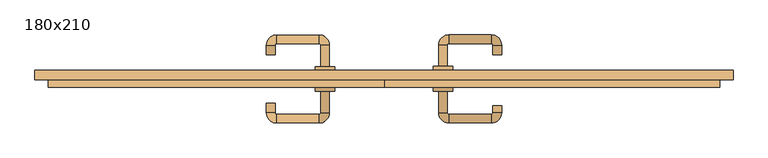
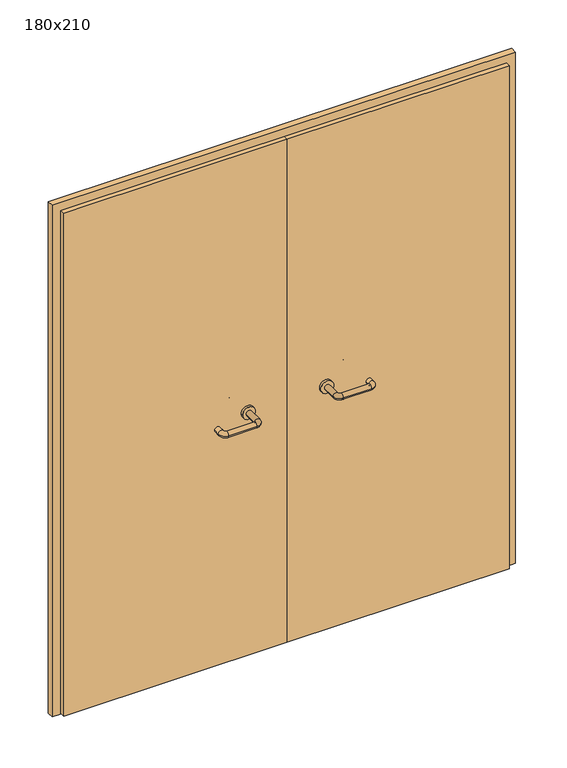
"""IFC4 building model written with IfcOpenShell, lengths in millimetres: door geometry, 180x210."""

import ifcopenshell
import ifcopenshell.guid

model = None  # the IFC model being written
_history = None  # IfcOwnerHistory: only IFC2X3 demands one
_inside = {}  # id of a spatial element -> (the spatial element, [elements in it])
_under = {}  # id of a project, library or spatial element -> (it, [spatial elements below it])
_declared = {}  # id of a project -> (the project, [libraries it declares])
_typed = {}  # id of a type object -> (the type object, [elements of that type])
_made_of = {}  # id of a material, layer set ... -> (it, [elements and type objects made of it])


def new_model(schema):
    """Start an empty IFC model of exactly this schema.

    Asked for "IFC4X3", IfcOpenShell would pick the latest addendum, in which some entities
    have other attributes; the version numbers below select the first issue.
    IFC2X3 requires an IfcOwnerHistory on every rooted entity: one is made here for all.
    """
    global model, _history
    if schema == "IFC4X3":
        model = ifcopenshell.file(schema_version=(4, 3, 0, 0))
    else:
        model = ifcopenshell.file(schema=schema)
    _inside.clear()
    _under.clear()
    _declared.clear()
    _typed.clear()
    _made_of.clear()
    _history = None
    if model.schema == "IFC2X3":
        org = make("IfcOrganization", Name="unknown")
        user = make(
            "IfcPersonAndOrganization",
            ThePerson=make("IfcPerson", FamilyName="unknown"),
            TheOrganization=org,
        )
        app = make(
            "IfcApplication",
            ApplicationDeveloper=org,
            Version="unknown",
            ApplicationFullName="unknown",
            ApplicationIdentifier="unknown",
        )
        _history = make(
            "IfcOwnerHistory",
            OwningUser=user,
            OwningApplication=app,
            ChangeAction="ADDED",
            CreationDate=0,
        )
    return model


def make(cls, **values):
    """One entity of the class cls with the attributes given. An attribute that is None is left unset."""
    return model.create_entity(
        cls, **{name: value for name, value in values.items() if value is not None}
    )


def rooted(cls, **values):
    """An entity with a GlobalId (a new one), such as an element, a storey or a relation."""
    return make(cls, GlobalId=ifcopenshell.guid.new(), OwnerHistory=_history, **values)


def si_unit(unit_type, name, prefix=None):
    """IfcSIUnit, for example si_unit("LENGTHUNIT", "METRE", prefix="MILLI")."""
    return make("IfcSIUnit", UnitType=unit_type, Prefix=prefix, Name=name)


def assignment(units):
    """IfcUnitAssignment: the units of a project."""
    return None if units is None else make("IfcUnitAssignment", Units=units)


def point(xyz):
    """IfcCartesianPoint."""
    return None if xyz is None else make("IfcCartesianPoint", Coordinates=xyz)


def direction(xyz):
    """IfcDirection."""
    return None if xyz is None else make("IfcDirection", DirectionRatios=xyz)


def frame(location, z_axis=None, x_axis=None):
    """IfcAxis2Placement3D, a coordinate frame: its origin and axes. An axis left out is left unset."""
    return make(
        "IfcAxis2Placement3D",
        Location=point(location),
        Axis=direction(z_axis),
        RefDirection=direction(x_axis),
    )


def frame_2d(location, x_axis=None):
    """IfcAxis2Placement2D, a coordinate frame in the plane: its origin and x axis."""
    return make(
        "IfcAxis2Placement2D", Location=point(location), RefDirection=direction(x_axis)
    )


def origin():
    """The frame at (0, 0, 0) with its axes left unset."""
    return frame((0.0, 0.0, 0.0))


def place(relative_to, where):
    """IfcLocalPlacement: puts the frame where relative to a parent placement (None: the world)."""
    return make(
        "IfcLocalPlacement", PlacementRelTo=relative_to, RelativePlacement=where
    )


def context(
    kind, dimensions, precision=None, world=None, true_north=None, identifier=None
):
    """IfcGeometricRepresentationContext, for example the 3D "Model" context."""
    return make(
        "IfcGeometricRepresentationContext",
        ContextIdentifier=identifier,
        ContextType=kind,
        CoordinateSpaceDimension=dimensions,
        Precision=precision,
        WorldCoordinateSystem=world,
        TrueNorth=true_north,
    )


def project(units=None, contexts=None):
    """IfcProject with its units and contexts."""
    return rooted(
        "IfcProject",
        Name="project",
        RepresentationContexts=contexts,
        UnitsInContext=assignment(units),
    )


def spatial(cls, under=None, at=None, **own):
    """A site, building, storey or space (cls), placed at a placement, below another one or the project."""
    s = rooted(cls, ObjectPlacement=at, **own)
    if under is not None:
        _under.setdefault(under.id(), (under, []))[1].append(s)
    return s


def polyline(points):
    """IfcPolyline through the points."""
    return make("IfcPolyline", Points=[point(p) for p in points])


def circle_curve(where, radius):
    """IfcCircle in the frame where."""
    return make("IfcCircle", Position=where, Radius=radius)


def ellipse_curve(where, semi_axis1, semi_axis2):
    """IfcEllipse in the frame where."""
    return make(
        "IfcEllipse", Position=where, SemiAxis1=semi_axis1, SemiAxis2=semi_axis2
    )


def trimmed(basis, trim1, trim2, sense, master):
    """IfcTrimmedCurve: the piece of a basis curve between two trims."""
    return make(
        "IfcTrimmedCurve",
        BasisCurve=basis,
        Trim1=trim1,
        Trim2=trim2,
        SenseAgreement=sense,
        MasterRepresentation=master,
    )


def segment(curve, same_sense, transition):
    """IfcCompositeCurveSegment."""
    return make(
        "IfcCompositeCurveSegment",
        Transition=transition,
        SameSense=same_sense,
        ParentCurve=curve,
    )


def composite_curve(segments, self_intersect=None):
    """IfcCompositeCurve: segments joined end to end."""
    return make("IfcCompositeCurve", Segments=segments, SelfIntersect=self_intersect)


def outline(outer, holes=None, kind="AREA"):
    """IfcArbitraryClosedProfileDef: a profile drawn as a closed curve; with holes, ...WithVoids."""
    if holes is None:
        return make("IfcArbitraryClosedProfileDef", ProfileType=kind, OuterCurve=outer)
    return make(
        "IfcArbitraryProfileDefWithVoids",
        ProfileType=kind,
        OuterCurve=outer,
        InnerCurves=holes,
    )


def extrude(swept, where, along, depth):
    """IfcExtrudedAreaSolid: the profile swept, set in the frame where, extruded along a direction by depth."""
    return make(
        "IfcExtrudedAreaSolid",
        SweptArea=swept,
        Position=where,
        ExtrudedDirection=direction(along),
        Depth=depth,
    )


def shape(context_of_items, identifier, shape_type, items):
    """IfcShapeRepresentation: the items that make up one representation, for example the "Body"."""
    return make(
        "IfcShapeRepresentation",
        ContextOfItems=context_of_items,
        RepresentationIdentifier=identifier,
        RepresentationType=shape_type,
        Items=items,
    )


def source(mapping_origin, context_of_items, identifier, shape_type, items):
    """IfcRepresentationMap: a shape defined once, which mapped items show again and again."""
    return make(
        "IfcRepresentationMap",
        MappingOrigin=mapping_origin,
        MappedRepresentation=shape(context_of_items, identifier, shape_type, items),
    )


def transform(
    local_origin,
    x_axis=None,
    y_axis=None,
    z_axis=None,
    scale=None,
    scale2=None,
    scale3=None,
    uniform=True,
):
    """IfcCartesianTransformationOperator3D, or its non-uniform kind. x_axis, y_axis, z_axis: its Axis1, 2, 3."""
    if uniform:
        return make(
            "IfcCartesianTransformationOperator3D",
            Axis1=direction(x_axis),
            Axis2=direction(y_axis),
            LocalOrigin=point(local_origin),
            Scale=scale,
            Axis3=direction(z_axis),
        )
    return make(
        "IfcCartesianTransformationOperator3DnonUniform",
        Axis1=direction(x_axis),
        Axis2=direction(y_axis),
        LocalOrigin=point(local_origin),
        Scale=scale,
        Axis3=direction(z_axis),
        Scale2=scale2,
        Scale3=scale3,
    )


def mapped(mapping_source, mapping_target):
    """IfcMappedItem: shows the shape of a source again, moved by a transform."""
    return make(
        "IfcMappedItem", MappingSource=mapping_source, MappingTarget=mapping_target
    )


def made_of(thing, what):
    """Note that an element or type object is made of a material, layer set ...; save() writes the relation."""
    if what is not None:
        _made_of.setdefault(what.id(), (what, []))[1].append(thing)
    return thing


def element(
    cls,
    number,
    at=None,
    inside=None,
    cuts=None,
    type_object=None,
    material=None,
    context=None,
    identifier="Body",
    shape_type=None,
    held_by="IfcProductDefinitionShape",
    body=None,
    shapes=None,
    **own,
):
    """One element of the class cls, such as IfcWall. Its Tag is "e" and its number.

    at: its placement. inside: the storey or other place that contains it. cuts: it is an
    opening in that element (IfcRelVoidsElement). A single representation is given by context,
    identifier, shape_type and body (its items); several are given by shapes. held_by: the class
    of the entity that holds the representations. save() writes the other relations.
    """
    e = rooted(cls, Tag="e%d" % number, ObjectPlacement=at, **own)
    if body is not None:
        shapes = [shape(context, identifier, shape_type, body)]
    if shapes is not None:
        e.Representation = make(held_by, Representations=shapes)
    if inside is not None:
        _inside.setdefault(inside.id(), (inside, []))[1].append(e)
    if cuts is not None:
        rooted(
            "IfcRelVoidsElement", RelatingBuildingElement=cuts, RelatedOpeningElement=e
        )
    if type_object is not None:
        _typed.setdefault(type_object.id(), (type_object, []))[1].append(e)
    return made_of(e, material)


def aggregate(whole, parts):
    """IfcRelAggregates: a whole, such as a stair, and the parts it consists of."""
    return rooted("IfcRelAggregates", RelatingObject=whole, RelatedObjects=parts)


def save(model, path):
    """Write the relations noted so far, then the file.

    IfcRelAggregates (storeys below a building ...), IfcRelContainedInSpatialStructure (elements
    in a storey), IfcRelDefinesByType, IfcRelAssociatesMaterial and IfcRelDeclares: one each for
    every whole, place, type object, material and project.
    """
    for whole, parts in _under.values():
        aggregate(whole, parts)
    for where, things in _inside.values():
        rooted(
            "IfcRelContainedInSpatialStructure",
            RelatedElements=things,
            RelatingStructure=where,
        )
    for kind, things in _typed.values():
        rooted("IfcRelDefinesByType", RelatedObjects=things, RelatingType=kind)
    for what, things in _made_of.values():
        rooted("IfcRelAssociatesMaterial", RelatedObjects=things, RelatingMaterial=what)
    for by, libraries in _declared.values():
        rooted("IfcRelDeclares", RelatingContext=by, RelatedDefinitions=libraries)
    model.write(path)


def plane_surface(at):
    """IfcPlane: the flat surface through the origin of the frame at, square to its z axis."""
    return make("IfcPlane", Position=at)


def cylinder_surface(at, radius):
    """IfcCylindricalSurface: all points at the distance radius from the z axis of the frame at."""
    return make("IfcCylindricalSurface", Position=at, Radius=radius)


def revolved_surface(curve, axis_point, axis_direction):
    """IfcSurfaceOfRevolution: the curve turned about the line through axis_point along axis_direction."""
    return make(
        "IfcSurfaceOfRevolution",
        SweptCurve=make("IfcArbitraryOpenProfileDef", ProfileType="CURVE", Curve=curve),
        AxisPosition=make("IfcAxis1Placement", Location=point(axis_point), Axis=direction(axis_direction)),
    )


def advanced_brep(points, edges, surfaces, faces):
    """IfcAdvancedBrep: a solid bounded by faces that lie on surfaces and meet in shared edges.

    An edge is (start, end): straight between two places in points (the first is 0);
    or (start, end, curve); or (start, end, curve, False) where it runs against its curve.
    A face is (place in surfaces, loops), or (place, loops, False) where it looks against
    its surface's normal. A loop lists edges by number (the first is 1), with a minus sign
    where the edge is run from its end to its start. The first loop is the outer one.
    """
    corners = [point(p) for p in points]
    vertices = [make("IfcVertexPoint", VertexGeometry=c) for c in corners]
    made = []
    for start, end, *more in edges:
        made.append(
            make(
                "IfcEdgeCurve",
                EdgeStart=vertices[start],
                EdgeEnd=vertices[end],
                EdgeGeometry=more[0] if more else make("IfcPolyline", Points=[corners[start], corners[end]]),
                SameSense=more[1] if len(more) > 1 else True,
            )
        )
    hull = []
    for where, loops, *sense in faces:
        bounds = []
        for j, loop in enumerate(loops):
            ring = [make("IfcOrientedEdge", EdgeElement=made[abs(k) - 1], Orientation=k > 0) for k in loop]
            bounds.append(
                make(
                    "IfcFaceOuterBound" if j == 0 else "IfcFaceBound",
                    Bound=make("IfcEdgeLoop", EdgeList=ring),
                    Orientation=True,
                )
            )
        hull.append(make("IfcAdvancedFace", Bounds=bounds, FaceSurface=surfaces[where], SameSense=sense[0] if sense else True))
    return make("IfcAdvancedBrep", Outer=make("IfcClosedShell", CfsFaces=hull))


def door_180x210_b6dc4c1d(model_context):
    return source(origin(), model_context, "Body", "SolidModel", [
        extrude(outline(polyline([(2100.0, -900.0), (0.0, -900.0), (0.0, -868.0), (2068.0, -868.0), (2068.0, 868.0), (0.0, 868.0), (0.0, 900.0), (2100.0, 900.0), (2100.0, -900.0)])), frame((0.0, 0.0, 0.0), z_axis=(0.0, 1.0, 0.0), x_axis=(0.0, 0.0, 1.0)), (0.0, 0.0, 1.0), 25.0),
        advanced_brep(
        [(140.99898, -29.0, 1003.0), (162.99898, -29.0, 1003.0), (140.99898, -84.3525369, 1003.0), (162.99898, -84.3525369, 1003.0), (166.99898, -88.3525369, 1003.0), (166.99898, -110.3525369, 1003.0), (276.99898, -110.3525369, 1003.0), (276.99898, -88.3525369, 1003.0), (280.99898, -84.3525369, 1003.0), (302.99898, -84.3525369, 1003.0), (302.99898, -67.0, 1003.0), (280.99898, -67.0, 1003.0)],
        [
            (0, 1, circle_curve(frame((151.99898, -29.0, 1003.0), z_axis=(0.0, 1.0, 0.0), x_axis=(1.0, 0.0, 0.0)), 11.0)),
            (1, 0, circle_curve(frame((151.99898, -29.0, 1003.0), z_axis=(0.0, 1.0, 0.0), x_axis=(1.0, 0.0, 0.0)), 11.0)),
            (0, 2),
            (2, 3, circle_curve(frame((151.99898, -84.3525369, 1003.0), z_axis=(0.0, 1.0, 0.0), x_axis=(1.0, 0.0, 0.0)), 11.0)),
            (3, 1),
            (3, 2, circle_curve(frame((151.99898, -84.3525369, 1003.0), z_axis=(0.0, 1.0, 0.0), x_axis=(1.0, 0.0, 0.0)), 11.0)),
            (4, 3, circle_curve(frame((166.99898, -84.3525369, 1003.0), z_axis=(0.0, 0.0, -1.0), x_axis=(-1.0, 0.0, 0.0)), 4.0)),
            (2, 5, circle_curve(frame((166.99898, -84.3525369, 1003.0), z_axis=(0.0, 0.0, 1.0), x_axis=(-1.0, 0.0, 0.0)), 26.0)),
            (5, 4, circle_curve(frame((166.99898, -99.3525369, 1003.0), z_axis=(-1.0, 0.0, 0.0), x_axis=(0.0, 1.0, 0.0)), 11.0)),
            (4, 5, circle_curve(frame((166.99898, -99.3525369, 1003.0), z_axis=(-1.0, 0.0, 0.0), x_axis=(0.0, 1.0, 0.0)), 11.0)),
            (5, 6),
            (6, 7, circle_curve(frame((276.99898, -99.3525369, 1003.0), z_axis=(-1.0, 0.0, 0.0), x_axis=(0.0, 1.0, 0.0)), 11.0)),
            (7, 4),
            (7, 6, circle_curve(frame((276.99898, -99.3525369, 1003.0), z_axis=(-1.0, 0.0, 0.0), x_axis=(0.0, 1.0, 0.0)), 11.0)),
            (8, 7, circle_curve(frame((276.99898, -84.3525369, 1003.0), z_axis=(0.0, 0.0, -1.0), x_axis=(0.0, -1.0, 0.0)), 4.0)),
            (6, 9, circle_curve(frame((276.99898, -84.3525369, 1003.0), z_axis=(0.0, 0.0, 1.0), x_axis=(0.0, -1.0, 0.0)), 26.0)),
            (9, 8, circle_curve(frame((291.99898, -84.3525369, 1003.0), z_axis=(0.0, -1.0, 0.0), x_axis=(-1.0, 0.0, 0.0)), 11.0)),
            (8, 9, circle_curve(frame((291.99898, -84.3525369, 1003.0), z_axis=(0.0, -1.0, 0.0), x_axis=(-1.0, 0.0, 0.0)), 11.0)),
            (10, 11, circle_curve(frame((291.99898, -67.0, 1003.0), z_axis=(0.0, 1.0, 0.0), x_axis=(-1.0, 0.0, 0.0)), 11.0)),
            (11, 10, circle_curve(frame((291.99898, -67.0, 1003.0), z_axis=(0.0, 1.0, 0.0), x_axis=(-1.0, 0.0, 0.0)), 11.0)),
            (9, 10),
            (11, 8),
        ],
        [
            plane_surface(frame((140.99898, -29.0, 1003.0), z_axis=(0.0, 1.0, 0.0), x_axis=(0.0, 0.0, -1.0))),
            cylinder_surface(frame((151.99898, -29.0, 1003.0), z_axis=(0.0, 1.0, 0.0), x_axis=(1.0, 0.0, 0.0)), 11.0),
            revolved_surface(trimmed(ellipse_curve(frame((151.99898, -84.3525369, 1003.0), z_axis=(0.0, 1.0, 0.0), x_axis=(1.0, 0.0, 0.0)), 11.0, 11.0), [point((140.99898, -84.3525369, 1003.0))], [point((162.99898, -84.3525369, 1003.0))], True, "CARTESIAN"), (166.99898, -84.3525369, 1003.0), (0.0, 0.0, 1.0)),
            revolved_surface(trimmed(ellipse_curve(frame((151.99898, -84.3525369, 1003.0), z_axis=(0.0, 1.0, 0.0), x_axis=(1.0, 0.0, 0.0)), 11.0, 11.0), [point((162.99898, -84.3525369, 1003.0))], [point((140.99898, -84.3525369, 1003.0))], True, "CARTESIAN"), (166.99898, -84.3525369, 1003.0), (0.0, 0.0, 1.0)),
            cylinder_surface(frame((166.99898, -99.3525369, 1003.0), z_axis=(-1.0, 0.0, 0.0), x_axis=(0.0, 1.0, 0.0)), 11.0),
            revolved_surface(trimmed(ellipse_curve(frame((276.99898, -99.3525369, 1003.0), z_axis=(-1.0, 0.0, 0.0), x_axis=(0.0, 1.0, 0.0)), 11.0, 11.0), [point((276.99898, -110.3525369, 1003.0))], [point((276.99898, -88.3525369, 1003.0))], True, "CARTESIAN"), (276.99898, -84.3525369, 1003.0), (0.0, 0.0, 1.0)),
            revolved_surface(trimmed(ellipse_curve(frame((276.99898, -99.3525369, 1003.0), z_axis=(-1.0, 0.0, 0.0), x_axis=(0.0, 1.0, 0.0)), 11.0, 11.0), [point((276.99898, -88.3525369, 1003.0))], [point((276.99898, -110.3525369, 1003.0))], True, "CARTESIAN"), (276.99898, -84.3525369, 1003.0), (0.0, 0.0, 1.0)),
            plane_surface(frame((280.99898, -67.0, 1003.0), z_axis=(0.0, 1.0, 0.0), x_axis=(0.0, 0.0, 1.0))),
            cylinder_surface(frame((291.99898, -84.3525369, 1003.0), z_axis=(0.0, -1.0, 0.0), x_axis=(-1.0, 0.0, 0.0)), 11.0),
        ],
        [
            (0, [[1, 2]]),
            (1, [[-1, 3, 4, 5]]),
            (1, [[-2, -5, 6, -3]]),
            (2, [[7, -4, 8, 9]]),
            (3, [[-8, -6, -7, 10]]),
            (4, [[-9, 11, 12, 13]]),
            (4, [[-10, -13, 14, -11]]),
            (5, [[15, -12, 16, 17]]),
            (6, [[-16, -14, -15, 18]]),
            (7, [[19, 20]]),
            (8, [[-17, 21, -20, 22]]),
            (8, [[-18, -22, -19, -21]]),
        ],
    ),
        extrude(outline(composite_curve([segment(trimmed(circle_curve(frame_2d((1003.0, 151.99898)), 25.0), [point((1003.0, 126.99898))], [point((1003.0, 176.99898))], False, "CARTESIAN"), True, "CONTINUOUS"), segment(trimmed(circle_curve(frame_2d((1003.0, 151.99898)), 25.0), [point((1003.0, 176.99898))], [point((1003.0, 126.99898))], False, "CARTESIAN"), True, "CONTINUOUS")], self_intersect=False)), frame((0.0, -29.0, 0.0), z_axis=(0.0, 1.0, 0.0), x_axis=(0.0, 0.0, 1.0)), (0.0, 0.0, 1.0), 10.0),
        advanced_brep(
        [(162.99898, 35.0, 1003.0), (140.99898, 35.0, 1003.0), (162.99898, 90.0, 1003.0), (140.99898, 90.0, 1003.0), (166.99898, 116.0, 1003.0), (166.99898, 94.0, 1003.0), (276.99898, 94.0, 1003.0), (276.99898, 116.0, 1003.0), (302.99898, 90.0, 1003.0), (280.99898, 90.0, 1003.0), (280.99898, 65.0, 1003.0), (302.99898, 65.0, 1003.0)],
        [
            (0, 1, circle_curve(frame((151.99898, 35.0, 1003.0), z_axis=(0.0, -1.0, 0.0), x_axis=(-1.0, 0.0, 0.0)), 11.0)),
            (1, 0, circle_curve(frame((151.99898, 35.0, 1003.0), z_axis=(0.0, -1.0, 0.0), x_axis=(-1.0, 0.0, 0.0)), 11.0)),
            (0, 2),
            (2, 3, circle_curve(frame((151.99898, 90.0, 1003.0), z_axis=(0.0, -1.0, 0.0), x_axis=(-1.0, 0.0, 0.0)), 11.0)),
            (3, 1),
            (3, 2, circle_curve(frame((151.99898, 90.0, 1003.0), z_axis=(0.0, -1.0, 0.0), x_axis=(-1.0, 0.0, 0.0)), 11.0)),
            (4, 3, circle_curve(frame((166.99898, 90.0, 1003.0), z_axis=(0.0, 0.0, 1.0), x_axis=(-1.0, 0.0, 0.0)), 26.0)),
            (2, 5, circle_curve(frame((166.99898, 90.0, 1003.0), z_axis=(0.0, 0.0, -1.0), x_axis=(-1.0, 0.0, 0.0)), 4.0)),
            (5, 4, circle_curve(frame((166.99898, 105.0, 1003.0), z_axis=(-1.0, 0.0, 0.0), x_axis=(0.0, 1.0, 0.0)), 11.0)),
            (4, 5, circle_curve(frame((166.99898, 105.0, 1003.0), z_axis=(-1.0, 0.0, 0.0), x_axis=(0.0, 1.0, 0.0)), 11.0)),
            (5, 6),
            (6, 7, circle_curve(frame((276.99898, 105.0, 1003.0), z_axis=(-1.0, 0.0, 0.0), x_axis=(0.0, 1.0, 0.0)), 11.0)),
            (7, 4),
            (7, 6, circle_curve(frame((276.99898, 105.0, 1003.0), z_axis=(-1.0, 0.0, 0.0), x_axis=(0.0, 1.0, 0.0)), 11.0)),
            (8, 7, circle_curve(frame((276.99898, 90.0, 1003.0), z_axis=(0.0, 0.0, 1.0), x_axis=(0.0, 1.0, 0.0)), 26.0)),
            (6, 9, circle_curve(frame((276.99898, 90.0, 1003.0), z_axis=(0.0, 0.0, -1.0), x_axis=(0.0, 1.0, 0.0)), 4.0)),
            (9, 8, circle_curve(frame((291.99898, 90.0, 1003.0), z_axis=(0.0, 1.0, 0.0), x_axis=(1.0, 0.0, 0.0)), 11.0)),
            (8, 9, circle_curve(frame((291.99898, 90.0, 1003.0), z_axis=(0.0, 1.0, 0.0), x_axis=(1.0, 0.0, 0.0)), 11.0)),
            (10, 11, circle_curve(frame((291.99898, 65.0, 1003.0), z_axis=(0.0, -1.0, 0.0), x_axis=(1.0, 0.0, 0.0)), 11.0)),
            (11, 10, circle_curve(frame((291.99898, 65.0, 1003.0), z_axis=(0.0, -1.0, 0.0), x_axis=(1.0, 0.0, 0.0)), 11.0)),
            (9, 10),
            (11, 8),
        ],
        [
            plane_surface(frame((140.99898, 35.0, 1003.0), z_axis=(0.0, -1.0, 0.0), x_axis=(0.0, 0.0, 1.0))),
            cylinder_surface(frame((151.99898, 35.0, 1003.0), z_axis=(0.0, -1.0, 0.0), x_axis=(-1.0, 0.0, 0.0)), 11.0),
            revolved_surface(trimmed(ellipse_curve(frame((151.99898, 90.0, 1003.0), z_axis=(0.0, -1.0, 0.0), x_axis=(-1.0, 0.0, 0.0)), 11.0, 11.0), [point((162.99898, 90.0, 1003.0))], [point((140.99898, 90.0, 1003.0))], True, "CARTESIAN"), (166.99898, 90.0, 1003.0), (0.0, 0.0, -1.0)),
            revolved_surface(trimmed(ellipse_curve(frame((151.99898, 90.0, 1003.0), z_axis=(0.0, -1.0, 0.0), x_axis=(-1.0, 0.0, 0.0)), 11.0, 11.0), [point((140.99898, 90.0, 1003.0))], [point((162.99898, 90.0, 1003.0))], True, "CARTESIAN"), (166.99898, 90.0, 1003.0), (0.0, 0.0, -1.0)),
            cylinder_surface(frame((166.99898, 105.0, 1003.0), z_axis=(-1.0, 0.0, 0.0), x_axis=(0.0, 1.0, 0.0)), 11.0),
            revolved_surface(trimmed(ellipse_curve(frame((276.99898, 105.0, 1003.0), z_axis=(-1.0, 0.0, 0.0), x_axis=(0.0, 1.0, 0.0)), 11.0, 11.0), [point((276.99898, 94.0, 1003.0))], [point((276.99898, 116.0, 1003.0))], True, "CARTESIAN"), (276.99898, 90.0, 1003.0), (0.0, 0.0, -1.0)),
            revolved_surface(trimmed(ellipse_curve(frame((276.99898, 105.0, 1003.0), z_axis=(-1.0, 0.0, 0.0), x_axis=(0.0, 1.0, 0.0)), 11.0, 11.0), [point((276.99898, 116.0, 1003.0))], [point((276.99898, 94.0, 1003.0))], True, "CARTESIAN"), (276.99898, 90.0, 1003.0), (0.0, 0.0, -1.0)),
            plane_surface(frame((280.99898, 65.0, 1003.0), z_axis=(0.0, -1.0, 0.0), x_axis=(0.0, 0.0, -1.0))),
            cylinder_surface(frame((291.99898, 90.0, 1003.0), z_axis=(0.0, 1.0, 0.0), x_axis=(1.0, 0.0, 0.0)), 11.0),
        ],
        [
            (0, [[1, 2]]),
            (1, [[-1, 3, 4, 5]]),
            (1, [[-2, -5, 6, -3]]),
            (2, [[7, -4, 8, 9]]),
            (3, [[-8, -6, -7, 10]]),
            (4, [[-9, 11, 12, 13]]),
            (4, [[-10, -13, 14, -11]]),
            (5, [[15, -12, 16, 17]]),
            (6, [[-16, -14, -15, 18]]),
            (7, [[19, 20]]),
            (8, [[-17, 21, -20, 22]]),
            (8, [[-18, -22, -19, -21]]),
        ],
    ),
        extrude(outline(composite_curve([segment(trimmed(circle_curve(frame_2d((1003.0, 151.99898)), 25.0), [point((1003.0, 176.99898))], [point((1003.0, 126.99898))], False, "CARTESIAN"), True, "CONTINUOUS"), segment(trimmed(circle_curve(frame_2d((1003.0, 151.99898)), 25.0), [point((1003.0, 126.99898))], [point((1003.0, 176.99898))], False, "CARTESIAN"), True, "CONTINUOUS")], self_intersect=False)), frame((0.0, 25.0, 0.0), z_axis=(0.0, 1.0, 0.0), x_axis=(0.0, 0.0, 1.0)), (0.0, 0.0, 1.0), 10.0),
        advanced_brep(
        [(-162.99898, -29.3113879, 1003.0), (-140.99898, -29.3113879, 1003.0), (-162.99898, -84.7220447, 1003.0), (-140.99898, -84.7220447, 1003.0), (-166.99898, -110.7220447, 1003.0), (-166.99898, -88.7220447, 1003.0), (-276.99898, -88.7220447, 1003.0), (-276.99898, -110.7220447, 1003.0), (-302.99898, -84.7220447, 1003.0), (-280.99898, -84.7220447, 1003.0), (-280.99898, -59.7220447, 1003.0), (-302.99898, -59.7220447, 1003.0)],
        [
            (0, 1, circle_curve(frame((-151.99898, -29.3113879, 1003.0), z_axis=(0.0, 1.0, 0.0), x_axis=(1.0, 0.0, 0.0)), 11.0)),
            (1, 0, circle_curve(frame((-151.99898, -29.3113879, 1003.0), z_axis=(0.0, 1.0, 0.0), x_axis=(1.0, 0.0, 0.0)), 11.0)),
            (0, 2),
            (2, 3, circle_curve(frame((-151.99898, -84.7220447, 1003.0), z_axis=(0.0, 1.0, 0.0), x_axis=(1.0, 0.0, 0.0)), 11.0)),
            (3, 1),
            (3, 2, circle_curve(frame((-151.99898, -84.7220447, 1003.0), z_axis=(0.0, 1.0, 0.0), x_axis=(1.0, 0.0, 0.0)), 11.0)),
            (4, 3, circle_curve(frame((-166.99898, -84.7220447, 1003.0), z_axis=(0.0, 0.0, 1.0), x_axis=(1.0, 0.0, 0.0)), 26.0)),
            (2, 5, circle_curve(frame((-166.99898, -84.7220447, 1003.0), z_axis=(0.0, 0.0, -1.0), x_axis=(1.0, 0.0, 0.0)), 4.0)),
            (5, 4, circle_curve(frame((-166.99898, -99.7220447, 1003.0), z_axis=(1.0, 0.0, 0.0), x_axis=(0.0, -1.0, 0.0)), 11.0)),
            (4, 5, circle_curve(frame((-166.99898, -99.7220447, 1003.0), z_axis=(1.0, 0.0, 0.0), x_axis=(0.0, -1.0, 0.0)), 11.0)),
            (5, 6),
            (6, 7, circle_curve(frame((-276.99898, -99.7220447, 1003.0), z_axis=(1.0, 0.0, 0.0), x_axis=(0.0, -1.0, 0.0)), 11.0)),
            (7, 4),
            (7, 6, circle_curve(frame((-276.99898, -99.7220447, 1003.0), z_axis=(1.0, 0.0, 0.0), x_axis=(0.0, -1.0, 0.0)), 11.0)),
            (8, 7, circle_curve(frame((-276.99898, -84.7220447, 1003.0), z_axis=(0.0, 0.0, 1.0), x_axis=(0.0, -1.0, 0.0)), 26.0)),
            (6, 9, circle_curve(frame((-276.99898, -84.7220447, 1003.0), z_axis=(0.0, 0.0, -1.0), x_axis=(0.0, -1.0, 0.0)), 4.0)),
            (9, 8, circle_curve(frame((-291.99898, -84.7220447, 1003.0), z_axis=(0.0, -1.0, 0.0), x_axis=(-1.0, 0.0, 0.0)), 11.0)),
            (8, 9, circle_curve(frame((-291.99898, -84.7220447, 1003.0), z_axis=(0.0, -1.0, 0.0), x_axis=(-1.0, 0.0, 0.0)), 11.0)),
            (10, 11, circle_curve(frame((-291.99898, -59.7220447, 1003.0), z_axis=(0.0, 1.0, 0.0), x_axis=(-1.0, 0.0, 0.0)), 11.0)),
            (11, 10, circle_curve(frame((-291.99898, -59.7220447, 1003.0), z_axis=(0.0, 1.0, 0.0), x_axis=(-1.0, 0.0, 0.0)), 11.0)),
            (9, 10),
            (11, 8),
        ],
        [
            plane_surface(frame((-162.99898, -29.3113879, 1003.0), z_axis=(0.0, 1.0, 0.0), x_axis=(0.0, 0.0, -1.0))),
            cylinder_surface(frame((-151.99898, -29.3113879, 1003.0), z_axis=(0.0, 1.0, 0.0), x_axis=(1.0, 0.0, 0.0)), 11.0),
            revolved_surface(trimmed(ellipse_curve(frame((-151.99898, -84.7220447, 1003.0), z_axis=(0.0, 1.0, 0.0), x_axis=(1.0, 0.0, 0.0)), 11.0, 11.0), [point((-162.99898, -84.7220447, 1003.0))], [point((-140.99898, -84.7220447, 1003.0))], True, "CARTESIAN"), (-166.99898, -84.7220447, 1003.0), (0.0, 0.0, -1.0)),
            revolved_surface(trimmed(ellipse_curve(frame((-151.99898, -84.7220447, 1003.0), z_axis=(0.0, 1.0, 0.0), x_axis=(1.0, 0.0, 0.0)), 11.0, 11.0), [point((-140.99898, -84.7220447, 1003.0))], [point((-162.99898, -84.7220447, 1003.0))], True, "CARTESIAN"), (-166.99898, -84.7220447, 1003.0), (0.0, 0.0, -1.0)),
            cylinder_surface(frame((-166.99898, -99.7220447, 1003.0), z_axis=(1.0, 0.0, 0.0), x_axis=(0.0, -1.0, 0.0)), 11.0),
            revolved_surface(trimmed(ellipse_curve(frame((-276.99898, -99.7220447, 1003.0), z_axis=(1.0, 0.0, 0.0), x_axis=(0.0, -1.0, 0.0)), 11.0, 11.0), [point((-276.99898, -88.7220447, 1003.0))], [point((-276.99898, -110.7220447, 1003.0))], True, "CARTESIAN"), (-276.99898, -84.7220447, 1003.0), (0.0, 0.0, -1.0)),
            revolved_surface(trimmed(ellipse_curve(frame((-276.99898, -99.7220447, 1003.0), z_axis=(1.0, 0.0, 0.0), x_axis=(0.0, -1.0, 0.0)), 11.0, 11.0), [point((-276.99898, -110.7220447, 1003.0))], [point((-276.99898, -88.7220447, 1003.0))], True, "CARTESIAN"), (-276.99898, -84.7220447, 1003.0), (0.0, 0.0, -1.0)),
            plane_surface(frame((-302.99898, -59.7220447, 1003.0), z_axis=(0.0, 1.0, 0.0), x_axis=(0.0, 0.0, 1.0))),
            cylinder_surface(frame((-291.99898, -84.7220447, 1003.0), z_axis=(0.0, -1.0, 0.0), x_axis=(-1.0, 0.0, 0.0)), 11.0),
        ],
        [
            (0, [[1, 2]]),
            (1, [[-1, 3, 4, 5]]),
            (1, [[-2, -5, 6, -3]]),
            (2, [[7, -4, 8, 9]]),
            (3, [[-8, -6, -7, 10]]),
            (4, [[-9, 11, 12, 13]]),
            (4, [[-10, -13, 14, -11]]),
            (5, [[15, -12, 16, 17]]),
            (6, [[-16, -14, -15, 18]]),
            (7, [[19, 20]]),
            (8, [[-17, 21, -20, 22]]),
            (8, [[-18, -22, -19, -21]]),
        ],
    ),
        extrude(outline(composite_curve([segment(trimmed(circle_curve(frame_2d((1003.0, -151.99898)), 25.0), [point((1003.0, -176.99898))], [point((1003.0, -126.99898))], False, "CARTESIAN"), True, "CONTINUOUS"), segment(trimmed(circle_curve(frame_2d((1003.0, -151.99898)), 25.0), [point((1003.0, -126.99898))], [point((1003.0, -176.99898))], False, "CARTESIAN"), True, "CONTINUOUS")], self_intersect=False)), frame((0.0, -29.3113879, 0.0), z_axis=(0.0, 1.0, 0.0), x_axis=(0.0, 0.0, 1.0)), (0.0, 0.0, 1.0), 10.3113879),
        advanced_brep(
        [(-140.99898, 34.5143417, 1003.0), (-162.99898, 34.5143417, 1003.0), (-140.99898, 89.6104656, 1003.0), (-162.99898, 89.6104656, 1003.0), (-166.99898, 93.6104656, 1003.0), (-166.99898, 115.6104656, 1003.0), (-276.99898, 115.6104656, 1003.0), (-276.99898, 93.6104656, 1003.0), (-280.99898, 89.6104656, 1003.0), (-302.99898, 89.6104656, 1003.0), (-302.99898, 64.6104656, 1003.0), (-280.99898, 64.6104656, 1003.0)],
        [
            (0, 1, circle_curve(frame((-151.99898, 34.5143417, 1003.0), z_axis=(0.0, -1.0, 0.0), x_axis=(-1.0, 0.0, 0.0)), 11.0)),
            (1, 0, circle_curve(frame((-151.99898, 34.5143417, 1003.0), z_axis=(0.0, -1.0, 0.0), x_axis=(-1.0, 0.0, 0.0)), 11.0)),
            (0, 2),
            (2, 3, circle_curve(frame((-151.99898, 89.6104656, 1003.0), z_axis=(0.0, -1.0, 0.0), x_axis=(-1.0, 0.0, 0.0)), 11.0)),
            (3, 1),
            (3, 2, circle_curve(frame((-151.99898, 89.6104656, 1003.0), z_axis=(0.0, -1.0, 0.0), x_axis=(-1.0, 0.0, 0.0)), 11.0)),
            (4, 3, circle_curve(frame((-166.99898, 89.6104656, 1003.0), z_axis=(0.0, 0.0, -1.0), x_axis=(1.0, 0.0, 0.0)), 4.0)),
            (2, 5, circle_curve(frame((-166.99898, 89.6104656, 1003.0), z_axis=(0.0, 0.0, 1.0), x_axis=(1.0, 0.0, 0.0)), 26.0)),
            (5, 4, circle_curve(frame((-166.99898, 104.6104656, 1003.0), z_axis=(1.0, 0.0, 0.0), x_axis=(0.0, -1.0, 0.0)), 11.0)),
            (4, 5, circle_curve(frame((-166.99898, 104.6104656, 1003.0), z_axis=(1.0, 0.0, 0.0), x_axis=(0.0, -1.0, 0.0)), 11.0)),
            (5, 6),
            (6, 7, circle_curve(frame((-276.99898, 104.6104656, 1003.0), z_axis=(1.0, 0.0, 0.0), x_axis=(0.0, -1.0, 0.0)), 11.0)),
            (7, 4),
            (7, 6, circle_curve(frame((-276.99898, 104.6104656, 1003.0), z_axis=(1.0, 0.0, 0.0), x_axis=(0.0, -1.0, 0.0)), 11.0)),
            (8, 7, circle_curve(frame((-276.99898, 89.6104656, 1003.0), z_axis=(0.0, 0.0, -1.0), x_axis=(0.0, 1.0, 0.0)), 4.0)),
            (6, 9, circle_curve(frame((-276.99898, 89.6104656, 1003.0), z_axis=(0.0, 0.0, 1.0), x_axis=(0.0, 1.0, 0.0)), 26.0)),
            (9, 8, circle_curve(frame((-291.99898, 89.6104656, 1003.0), z_axis=(0.0, 1.0, 0.0), x_axis=(1.0, 0.0, 0.0)), 11.0)),
            (8, 9, circle_curve(frame((-291.99898, 89.6104656, 1003.0), z_axis=(0.0, 1.0, 0.0), x_axis=(1.0, 0.0, 0.0)), 11.0)),
            (10, 11, circle_curve(frame((-291.99898, 64.6104656, 1003.0), z_axis=(0.0, -1.0, 0.0), x_axis=(1.0, 0.0, 0.0)), 11.0)),
            (11, 10, circle_curve(frame((-291.99898, 64.6104656, 1003.0), z_axis=(0.0, -1.0, 0.0), x_axis=(1.0, 0.0, 0.0)), 11.0)),
            (9, 10),
            (11, 8),
        ],
        [
            plane_surface(frame((-162.99898, 34.5143417, 1003.0), z_axis=(0.0, -1.0, 0.0), x_axis=(0.0, 0.0, 1.0))),
            cylinder_surface(frame((-151.99898, 34.5143417, 1003.0), z_axis=(0.0, -1.0, 0.0), x_axis=(-1.0, 0.0, 0.0)), 11.0),
            revolved_surface(trimmed(ellipse_curve(frame((-151.99898, 89.6104656, 1003.0), z_axis=(0.0, -1.0, 0.0), x_axis=(-1.0, 0.0, 0.0)), 11.0, 11.0), [point((-140.99898, 89.6104656, 1003.0))], [point((-162.99898, 89.6104656, 1003.0))], True, "CARTESIAN"), (-166.99898, 89.6104656, 1003.0), (0.0, 0.0, 1.0)),
            revolved_surface(trimmed(ellipse_curve(frame((-151.99898, 89.6104656, 1003.0), z_axis=(0.0, -1.0, 0.0), x_axis=(-1.0, 0.0, 0.0)), 11.0, 11.0), [point((-162.99898, 89.6104656, 1003.0))], [point((-140.99898, 89.6104656, 1003.0))], True, "CARTESIAN"), (-166.99898, 89.6104656, 1003.0), (0.0, 0.0, 1.0)),
            cylinder_surface(frame((-166.99898, 104.6104656, 1003.0), z_axis=(1.0, 0.0, 0.0), x_axis=(0.0, -1.0, 0.0)), 11.0),
            revolved_surface(trimmed(ellipse_curve(frame((-276.99898, 104.6104656, 1003.0), z_axis=(1.0, 0.0, 0.0), x_axis=(0.0, -1.0, 0.0)), 11.0, 11.0), [point((-276.99898, 115.6104656, 1003.0))], [point((-276.99898, 93.6104656, 1003.0))], True, "CARTESIAN"), (-276.99898, 89.6104656, 1003.0), (0.0, 0.0, 1.0)),
            revolved_surface(trimmed(ellipse_curve(frame((-276.99898, 104.6104656, 1003.0), z_axis=(1.0, 0.0, 0.0), x_axis=(0.0, -1.0, 0.0)), 11.0, 11.0), [point((-276.99898, 93.6104656, 1003.0))], [point((-276.99898, 115.6104656, 1003.0))], True, "CARTESIAN"), (-276.99898, 89.6104656, 1003.0), (0.0, 0.0, 1.0)),
            plane_surface(frame((-302.99898, 64.6104656, 1003.0), z_axis=(0.0, -1.0, 0.0), x_axis=(0.0, 0.0, -1.0))),
            cylinder_surface(frame((-291.99898, 89.6104656, 1003.0), z_axis=(0.0, 1.0, 0.0), x_axis=(1.0, 0.0, 0.0)), 11.0),
        ],
        [
            (0, [[1, 2]]),
            (1, [[-1, 3, 4, 5]]),
            (1, [[-2, -5, 6, -3]]),
            (2, [[7, -4, 8, 9]]),
            (3, [[-8, -6, -7, 10]]),
            (4, [[-9, 11, 12, 13]]),
            (4, [[-10, -13, 14, -11]]),
            (5, [[15, -12, 16, 17]]),
            (6, [[-16, -14, -15, 18]]),
            (7, [[19, 20]]),
            (8, [[-17, 21, -20, 22]]),
            (8, [[-18, -22, -19, -21]]),
        ],
    ),
        extrude(outline(composite_curve([segment(trimmed(circle_curve(frame_2d((1003.0, -151.99898)), 25.0), [point((1003.0, -126.99898))], [point((1003.0, -176.99898))], False, "CARTESIAN"), True, "CONTINUOUS"), segment(trimmed(circle_curve(frame_2d((1003.0, -151.99898)), 25.0), [point((1003.0, -176.99898))], [point((1003.0, -126.99898))], False, "CARTESIAN"), True, "CONTINUOUS")], self_intersect=False)), frame((0.0, 25.0, 0.0), z_axis=(0.0, 1.0, 0.0), x_axis=(0.0, 0.0, 1.0)), (0.0, 0.0, 1.0), 9.5143417),
        extrude(outline(polyline([(1.0739506, -19.0), (-865.0, -19.0), (-865.0, 25.0), (1.0739506, 25.0), (1.0739506, -19.0)])), frame((0.0, 0.0, 1.753223), z_axis=(0.0, 0.0, 1.0), x_axis=(1.0, 0.0, 0.0)), (0.0, 0.0, 1.0), 2066.246777),
        extrude(outline(polyline([(865.0, -19.0), (1.0739506, -19.0), (1.0739506, 25.0), (865.0, 25.0), (865.0, -19.0)])), frame((0.0, 0.0, 1.753223), z_axis=(0.0, 0.0, 1.0), x_axis=(1.0, 0.0, 0.0)), (0.0, 0.0, 1.0), 2066.246777),
    ])


if __name__ == "__main__":
    model = new_model("IFC4")
    model_context = context("Model", 3, world=origin())
    ifc_project = project(units=[si_unit("LENGTHUNIT", "METRE", prefix="MILLI")], contexts=[model_context])
    site = spatial("IfcSite", under=ifc_project)
    building = spatial("IfcBuilding", under=site)
    placement = place(None, origin())
    door_180x210_shape = door_180x210_b6dc4c1d(model_context)
    element("IfcDoor", 1, ObjectType="180x210", at=placement, inside=building, context=model_context, shape_type="MappedRepresentation", body=[
        mapped(door_180x210_shape, transform((0.0, 0.0, 0.0), x_axis=(1.0, 0.0, 0.0), y_axis=(0.0, 1.0, 0.0), z_axis=(0.0, 0.0, 1.0))),
    ])
    save(model, "model.ifc")
